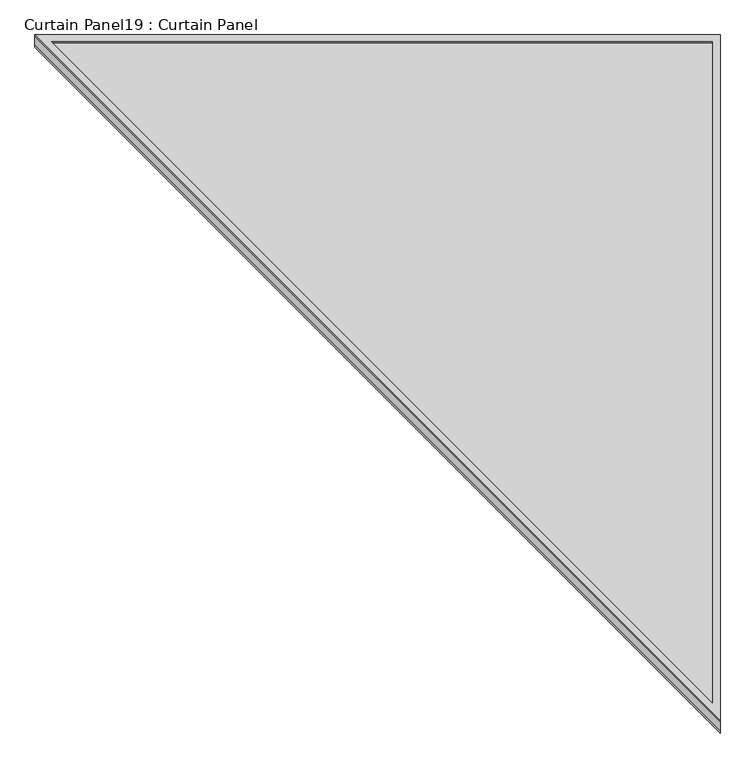
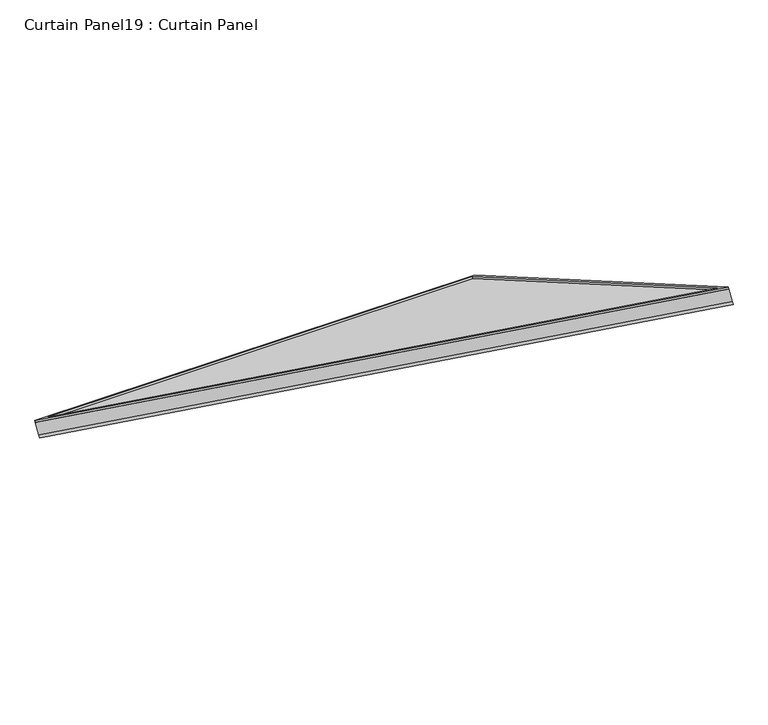
"""IFC4 building model written with IfcOpenShell, lengths in millimetres: plate geometry, Curtain Panel19 : Curtain Panel."""

import ifcopenshell
import ifcopenshell.guid

model = None  # the IFC model being written
_history = None  # IfcOwnerHistory: only IFC2X3 demands one
_inside = {}  # id of a spatial element -> (the spatial element, [elements in it])
_under = {}  # id of a project, library or spatial element -> (it, [spatial elements below it])
_declared = {}  # id of a project -> (the project, [libraries it declares])
_typed = {}  # id of a type object -> (the type object, [elements of that type])
_made_of = {}  # id of a material, layer set ... -> (it, [elements and type objects made of it])


def new_model(schema):
    """Start an empty IFC model of exactly this schema.

    Asked for "IFC4X3", IfcOpenShell would pick the latest addendum, in which some entities
    have other attributes; the version numbers below select the first issue.
    IFC2X3 requires an IfcOwnerHistory on every rooted entity: one is made here for all.
    """
    global model, _history
    if schema == "IFC4X3":
        model = ifcopenshell.file(schema_version=(4, 3, 0, 0))
    else:
        model = ifcopenshell.file(schema=schema)
    _inside.clear()
    _under.clear()
    _declared.clear()
    _typed.clear()
    _made_of.clear()
    _history = None
    if model.schema == "IFC2X3":
        org = make("IfcOrganization", Name="unknown")
        user = make(
            "IfcPersonAndOrganization",
            ThePerson=make("IfcPerson", FamilyName="unknown"),
            TheOrganization=org,
        )
        app = make(
            "IfcApplication",
            ApplicationDeveloper=org,
            Version="unknown",
            ApplicationFullName="unknown",
            ApplicationIdentifier="unknown",
        )
        _history = make(
            "IfcOwnerHistory",
            OwningUser=user,
            OwningApplication=app,
            ChangeAction="ADDED",
            CreationDate=0,
        )
    return model


def make(cls, **values):
    """One entity of the class cls with the attributes given. An attribute that is None is left unset."""
    return model.create_entity(
        cls, **{name: value for name, value in values.items() if value is not None}
    )


def rooted(cls, **values):
    """An entity with a GlobalId (a new one), such as an element, a storey or a relation."""
    return make(cls, GlobalId=ifcopenshell.guid.new(), OwnerHistory=_history, **values)


def si_unit(unit_type, name, prefix=None):
    """IfcSIUnit, for example si_unit("LENGTHUNIT", "METRE", prefix="MILLI")."""
    return make("IfcSIUnit", UnitType=unit_type, Prefix=prefix, Name=name)


def assignment(units):
    """IfcUnitAssignment: the units of a project."""
    return None if units is None else make("IfcUnitAssignment", Units=units)


def point(xyz):
    """IfcCartesianPoint."""
    return None if xyz is None else make("IfcCartesianPoint", Coordinates=xyz)


def direction(xyz):
    """IfcDirection."""
    return None if xyz is None else make("IfcDirection", DirectionRatios=xyz)


def frame(location, z_axis=None, x_axis=None):
    """IfcAxis2Placement3D, a coordinate frame: its origin and axes. An axis left out is left unset."""
    return make(
        "IfcAxis2Placement3D",
        Location=point(location),
        Axis=direction(z_axis),
        RefDirection=direction(x_axis),
    )


def origin():
    """The frame at (0, 0, 0) with its axes left unset."""
    return frame((0.0, 0.0, 0.0))


def place(relative_to, where):
    """IfcLocalPlacement: puts the frame where relative to a parent placement (None: the world)."""
    return make(
        "IfcLocalPlacement", PlacementRelTo=relative_to, RelativePlacement=where
    )


def context(
    kind, dimensions, precision=None, world=None, true_north=None, identifier=None
):
    """IfcGeometricRepresentationContext, for example the 3D "Model" context."""
    return make(
        "IfcGeometricRepresentationContext",
        ContextIdentifier=identifier,
        ContextType=kind,
        CoordinateSpaceDimension=dimensions,
        Precision=precision,
        WorldCoordinateSystem=world,
        TrueNorth=true_north,
    )


def project(units=None, contexts=None):
    """IfcProject with its units and contexts."""
    return rooted(
        "IfcProject",
        Name="project",
        RepresentationContexts=contexts,
        UnitsInContext=assignment(units),
    )


def spatial(cls, under=None, at=None, **own):
    """A site, building, storey or space (cls), placed at a placement, below another one or the project."""
    s = rooted(cls, ObjectPlacement=at, **own)
    if under is not None:
        _under.setdefault(under.id(), (under, []))[1].append(s)
    return s


def polyline(points):
    """IfcPolyline through the points."""
    return make("IfcPolyline", Points=[point(p) for p in points])


def outline(outer, holes=None, kind="AREA"):
    """IfcArbitraryClosedProfileDef: a profile drawn as a closed curve; with holes, ...WithVoids."""
    if holes is None:
        return make("IfcArbitraryClosedProfileDef", ProfileType=kind, OuterCurve=outer)
    return make(
        "IfcArbitraryProfileDefWithVoids",
        ProfileType=kind,
        OuterCurve=outer,
        InnerCurves=holes,
    )


def extrude(swept, where, along, depth):
    """IfcExtrudedAreaSolid: the profile swept, set in the frame where, extruded along a direction by depth."""
    return make(
        "IfcExtrudedAreaSolid",
        SweptArea=swept,
        Position=where,
        ExtrudedDirection=direction(along),
        Depth=depth,
    )


def shape(context_of_items, identifier, shape_type, items):
    """IfcShapeRepresentation: the items that make up one representation, for example the "Body"."""
    return make(
        "IfcShapeRepresentation",
        ContextOfItems=context_of_items,
        RepresentationIdentifier=identifier,
        RepresentationType=shape_type,
        Items=items,
    )


def source(mapping_origin, context_of_items, identifier, shape_type, items):
    """IfcRepresentationMap: a shape defined once, which mapped items show again and again."""
    return make(
        "IfcRepresentationMap",
        MappingOrigin=mapping_origin,
        MappedRepresentation=shape(context_of_items, identifier, shape_type, items),
    )


def transform(
    local_origin,
    x_axis=None,
    y_axis=None,
    z_axis=None,
    scale=None,
    scale2=None,
    scale3=None,
    uniform=True,
):
    """IfcCartesianTransformationOperator3D, or its non-uniform kind. x_axis, y_axis, z_axis: its Axis1, 2, 3."""
    if uniform:
        return make(
            "IfcCartesianTransformationOperator3D",
            Axis1=direction(x_axis),
            Axis2=direction(y_axis),
            LocalOrigin=point(local_origin),
            Scale=scale,
            Axis3=direction(z_axis),
        )
    return make(
        "IfcCartesianTransformationOperator3DnonUniform",
        Axis1=direction(x_axis),
        Axis2=direction(y_axis),
        LocalOrigin=point(local_origin),
        Scale=scale,
        Axis3=direction(z_axis),
        Scale2=scale2,
        Scale3=scale3,
    )


def mapped(mapping_source, mapping_target):
    """IfcMappedItem: shows the shape of a source again, moved by a transform."""
    return make(
        "IfcMappedItem", MappingSource=mapping_source, MappingTarget=mapping_target
    )


def made_of(thing, what):
    """Note that an element or type object is made of a material, layer set ...; save() writes the relation."""
    if what is not None:
        _made_of.setdefault(what.id(), (what, []))[1].append(thing)
    return thing


def element(
    cls,
    number,
    at=None,
    inside=None,
    cuts=None,
    type_object=None,
    material=None,
    context=None,
    identifier="Body",
    shape_type=None,
    held_by="IfcProductDefinitionShape",
    body=None,
    shapes=None,
    **own,
):
    """One element of the class cls, such as IfcWall. Its Tag is "e" and its number.

    at: its placement. inside: the storey or other place that contains it. cuts: it is an
    opening in that element (IfcRelVoidsElement). A single representation is given by context,
    identifier, shape_type and body (its items); several are given by shapes. held_by: the class
    of the entity that holds the representations. save() writes the other relations.
    """
    e = rooted(cls, Tag="e%d" % number, ObjectPlacement=at, **own)
    if body is not None:
        shapes = [shape(context, identifier, shape_type, body)]
    if shapes is not None:
        e.Representation = make(held_by, Representations=shapes)
    if inside is not None:
        _inside.setdefault(inside.id(), (inside, []))[1].append(e)
    if cuts is not None:
        rooted(
            "IfcRelVoidsElement", RelatingBuildingElement=cuts, RelatedOpeningElement=e
        )
    if type_object is not None:
        _typed.setdefault(type_object.id(), (type_object, []))[1].append(e)
    return made_of(e, material)


def aggregate(whole, parts):
    """IfcRelAggregates: a whole, such as a stair, and the parts it consists of."""
    return rooted("IfcRelAggregates", RelatingObject=whole, RelatedObjects=parts)


def save(model, path):
    """Write the relations noted so far, then the file.

    IfcRelAggregates (storeys below a building ...), IfcRelContainedInSpatialStructure (elements
    in a storey), IfcRelDefinesByType, IfcRelAssociatesMaterial and IfcRelDeclares: one each for
    every whole, place, type object, material and project.
    """
    for whole, parts in _under.values():
        aggregate(whole, parts)
    for where, things in _inside.values():
        rooted(
            "IfcRelContainedInSpatialStructure",
            RelatedElements=things,
            RelatingStructure=where,
        )
    for kind, things in _typed.values():
        rooted("IfcRelDefinesByType", RelatedObjects=things, RelatingType=kind)
    for what, things in _made_of.values():
        rooted("IfcRelAssociatesMaterial", RelatedObjects=things, RelatingMaterial=what)
    for by, libraries in _declared.values():
        rooted("IfcRelDeclares", RelatingContext=by, RelatedDefinitions=libraries)
    model.write(path)


def curtain_panel19_curtain_panel_21cf78d2(model_context):
    return source(origin(), model_context, "Body", "SweptSolid", [
        extrude(outline(polyline([(1284.5558135, -12.7), (-34.0642672, -12.7), (1284.5558135, 1129.2584879), (1284.5558135, -12.7)]), holes=[polyline([(1271.8558135, 0.0), (1271.8558135, 1101.4594444), (0.0, 0.0), (1271.8558135, 0.0)])]), frame((-10798.1692107, 11032.2877657, 637.6142967), z_axis=(0.0, 0.4999999999999996, 0.8660254037844389), x_axis=(0.0, 0.8660254037844389, -0.4999999999999996)), (0.0, 0.0, 1.0), 4.742211),
        extrude(outline(polyline([(1284.5558134, -12.7), (-34.0642673, -12.7), (1284.5558134, 1129.2584879), (1284.5558134, -12.7)]), holes=[polyline([(1271.8558134, 0.0), (1271.8558134, 1101.4594444), (0.0, 0.0), (1271.8558134, 0.0)])]), frame((-10798.1692107, 11013.8474504, 605.6747336), z_axis=(0.0, 0.499999999999999, 0.8660254037844393), x_axis=(0.0, 0.8660254037844393, -0.499999999999999)), (0.0, 0.0, 1.0), 6.7181306),
        extrude(outline(polyline([(64.5415121, 0.0), (1206.5, 0.0), (1206.5, -1318.6200807), (64.5415121, 0.0)])), frame((-11991.9692107, 12129.6644827, -30.7851013), z_axis=(0.0, 0.49999999999999867, 0.8660254037844395), x_axis=(1.0, 0.0, 0.0)), (0.0, 0.0, 1.0), 30.1625),
    ])


if __name__ == "__main__":
    model = new_model("IFC4")
    model_context = context("Model", 3, world=origin())
    ifc_project = project(units=[si_unit("LENGTHUNIT", "METRE", prefix="MILLI")], contexts=[model_context])
    site = spatial("IfcSite", under=ifc_project)
    building = spatial("IfcBuilding", under=site)
    placement = place(None, origin())
    curtain_panel19_curtain_panel_shape = curtain_panel19_curtain_panel_21cf78d2(model_context)
    element("IfcPlate", 1, ObjectType="Curtain Panel19 : Curtain Panel", at=placement, inside=building, context=model_context, shape_type="MappedRepresentation", body=[
        mapped(curtain_panel19_curtain_panel_shape, transform((0.0, 0.0, 0.0), x_axis=(1.0, 0.0, 0.0), y_axis=(0.0, 1.0, 0.0), z_axis=(0.0, 0.0, 1.0))),
    ])
    save(model, "model.ifc")
